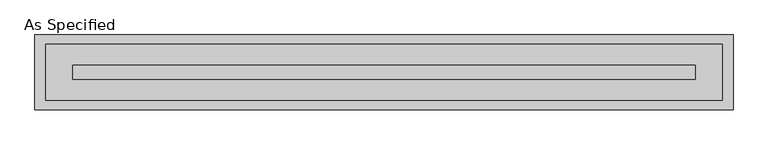
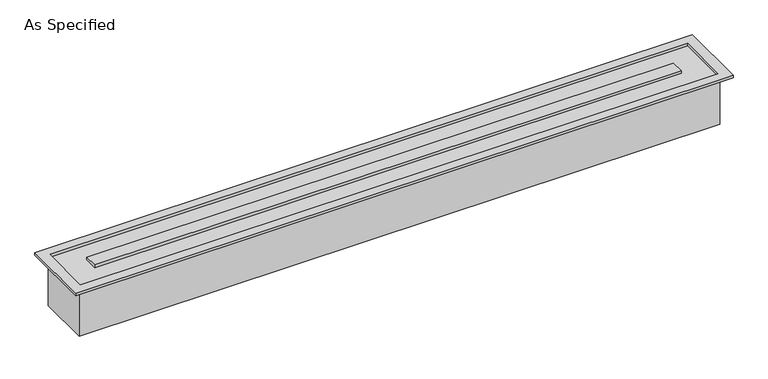
"""IFC4 building model written with IfcOpenShell, lengths in millimetres: proxy geometry, As Specified."""

from ifc_helpers import new_model, si_unit, origin, place, context, project, spatial, faceted_brep, source, transform, mapped, element, save


def as_specified_38ae0aef(model_context):
    return source(origin(), model_context, "Body", "Brep", [
        faceted_brep([(1830.3875, 152.4, -292.1), (1830.3875, -152.4, -292.1), (-1830.3875, -152.4, -292.1), (-1830.3875, 152.4, -292.1), (1822.4499926, -150.812509, 0.0), (1822.4499926, 150.8125043, 0.0), (-1822.4499937, 150.8125043, 0.0), (-1822.4499937, -150.812509, 0.0), (-1676.4000025, 38.0999981, 0.0), (1676.4000013, 38.0999981, 0.0), (1676.4000013, -38.1000028, 0.0), (-1676.4000025, -38.1000028, 0.0), (-1830.3875, 152.4, 0.0), (1830.3875, 152.4, 0.0), (-1830.3875, -152.4, 0.0), (1830.3875, -152.4, 0.0), (1879.6, 201.6125, 15.875), (-1879.6, 201.6125, 15.875), (-1879.6, -201.6125, 15.875), (1879.6, -201.6125, 15.875), (1822.4499926, 150.8125043, 15.875), (1822.4499926, -150.812509, 15.875), (-1822.4499937, -150.812509, 15.875), (-1822.4499937, 150.8125043, 15.875), (1676.4000013, 38.0999981, 15.875), (-1676.4000025, 38.0999981, 15.875), (-1676.4000025, -38.1000028, 15.875), (1676.4000013, -38.1000028, 15.875), (1879.6, 201.6125, 0.0), (1879.6, -201.6125, 0.0), (-1879.6, -201.6125, 0.0), (-1879.6, 201.6125, 0.0)], [[[0, 1, 2, 3]], [[4, 5, 6, 7], [8, 9, 10, 11]], [[0, 3, 12, 13]], [[3, 2, 14, 12]], [[2, 1, 15, 14]], [[1, 0, 13, 15]], [[16, 17, 18, 19], [20, 21, 22, 23]], [[24, 25, 26, 27]], [[28, 29, 30, 31], [13, 12, 14, 15]], [[17, 16, 28, 31]], [[18, 17, 31, 30]], [[19, 18, 30, 29]], [[16, 19, 29, 28]], [[21, 20, 5, 4]], [[22, 21, 4, 7]], [[23, 22, 7, 6]], [[20, 23, 6, 5]], [[25, 24, 9, 8]], [[26, 25, 8, 11]], [[27, 26, 11, 10]], [[24, 27, 10, 9]]]),
    ])


if __name__ == "__main__":
    model = new_model("IFC4")
    model_context = context("Model", 3, world=origin())
    ifc_project = project(units=[si_unit("LENGTHUNIT", "METRE", prefix="MILLI")], contexts=[model_context])
    site = spatial("IfcSite", under=ifc_project)
    building = spatial("IfcBuilding", under=site)
    placement = place(None, origin())
    as_specified_shape = as_specified_38ae0aef(model_context)
    element("IfcBuildingElementProxy", 1, Name="As Specified", ObjectType="As Specified", at=placement, inside=building, context=model_context, shape_type="MappedRepresentation", body=[
        mapped(as_specified_shape, transform((0.0, 0.0, 0.0), x_axis=(1.0, 0.0, 0.0), y_axis=(0.0, 1.0, 0.0), z_axis=(0.0, 0.0, 1.0))),
    ])
    save(model, "model.ifc")
